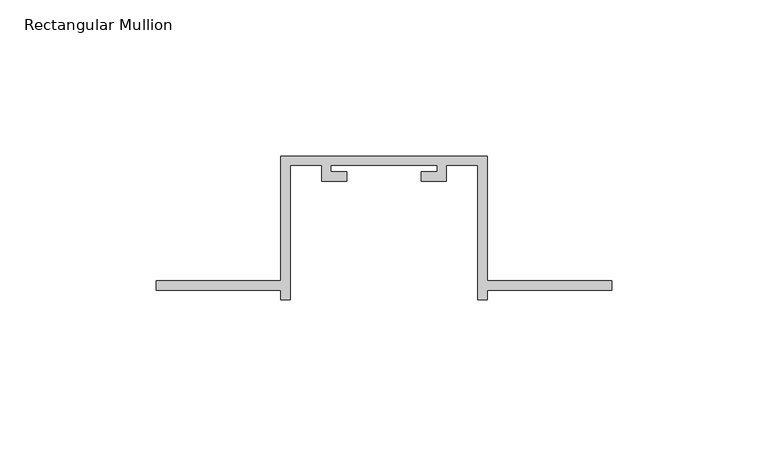
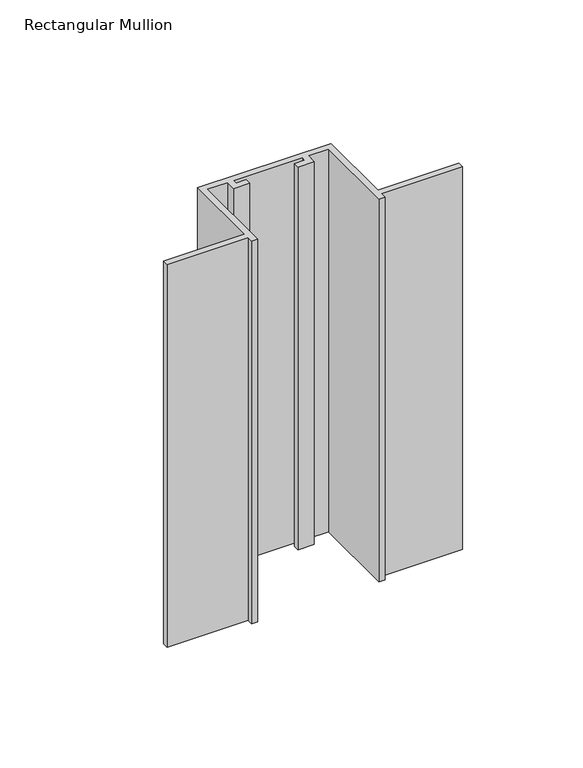
"""IFC4 building model written with IfcOpenShell, lengths in millimetres: member geometry, Rectangular Mullion."""

from ifc_helpers import new_model, si_unit, frame, origin, place, context, project, spatial, polyline, outline, extrude, source, transform, mapped, element, save


def rectangular_mullion_7713e246(model_context):
    return source(origin(), model_context, "Body", "SweptSolid", [
        extrude(outline(polyline([(-40.0, -132.0), (-40.0, -135.0), (-43.0, -135.0), (-43.0, -92.0), (-53.0, -92.0), (-53.0, -97.0), (-61.0, -97.0), (-61.0, -94.0), (-56.0, -94.0), (-56.0, -92.0), (-90.0, -92.0), (-90.0, -94.0), (-85.0, -94.0), (-85.0, -97.0), (-93.0, -97.0), (-93.0, -92.0), (-103.0, -92.0), (-103.0, -135.0), (-106.0, -135.0), (-106.0, -132.0), (-146.0, -132.0), (-146.0, -129.0), (-106.0, -129.0), (-106.0, -89.0), (-40.0, -89.0), (-40.0, -129.0), (0.0, -129.0), (0.0, -132.0), (-40.0, -132.0)])), frame((0.0, 0.0, -200.0), z_axis=(0.0, 0.0, 1.0), x_axis=(1.0, 0.0, 0.0)), (0.0, 0.0, 1.0), 200.0),
    ])


if __name__ == "__main__":
    model = new_model("IFC4")
    model_context = context("Model", 3, world=origin())
    ifc_project = project(units=[si_unit("LENGTHUNIT", "METRE", prefix="MILLI")], contexts=[model_context])
    site = spatial("IfcSite", under=ifc_project)
    building = spatial("IfcBuilding", under=site)
    placement = place(None, origin())
    rectangular_mullion_shape = rectangular_mullion_7713e246(model_context)
    element("IfcMember", 1, ObjectType="Rectangular Mullion", at=placement, inside=building, context=model_context, shape_type="MappedRepresentation", body=[
        mapped(rectangular_mullion_shape, transform((0.0, 0.0, 0.0), x_axis=(1.0, 0.0, 0.0), y_axis=(0.0, 1.0, 0.0), z_axis=(0.0, 0.0, 1.0))),
    ])
    save(model, "model.ifc")
